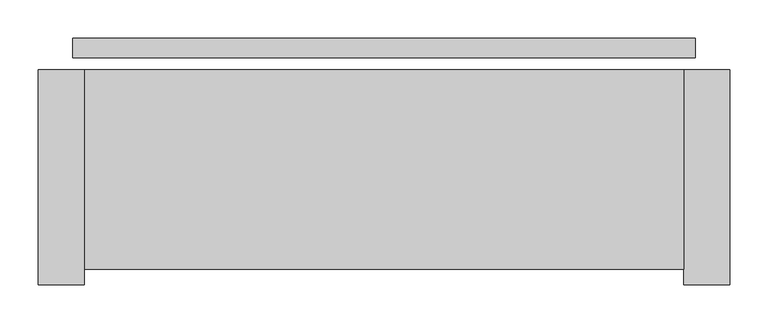
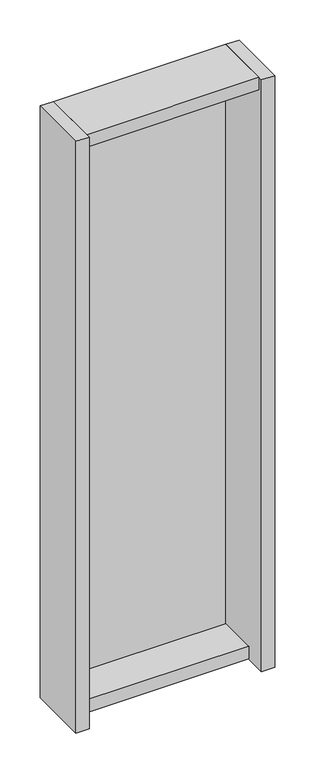
"""IFC4 building model written with IfcOpenShell, lengths in millimetres: plate geometry."""

from ifc_helpers import new_model, si_unit, frame, origin, origin_with_axes, place, context, project, spatial, polyline, outline, extrude, source, transform, mapped, element, save


def plate_e3395624(model_context):
    return source(origin(), model_context, "Body", "SweptSolid", [
        extrude(outline(polyline([(405.2195514, 0.0), (405.2195514, -25.0), (-405.2195514, -25.0), (-405.2195514, 0.0), (405.2195514, 0.0)])), origin_with_axes(), (0.0, 0.0, 1.0), 2742.0),
        extrude(outline(polyline([(-390.2195514, -41.0), (-390.2195514, -321.0), (-450.2195514, -321.0), (-450.2195514, -41.0), (-390.2195514, -41.0)])), frame((0.0, 0.0, -45.0), z_axis=(0.0, 0.0, 1.0), x_axis=(1.0, 0.0, 0.0)), (0.0, 0.0, 1.0), 2832.0),
        extrude(outline(polyline([(390.2195514, -221.0), (-390.2195514, -221.0), (-390.2195514, -41.0), (390.2195514, -41.0), (390.2195514, -221.0)])), frame((0.0, 0.0, -45.0), z_axis=(0.0, 0.0, 1.0), x_axis=(1.0, 0.0, 0.0)), (0.0, 0.0, 1.0), 60.0),
        extrude(outline(polyline([(390.2195514, -41.0), (390.2195514, -301.0), (-390.2195514, -301.0), (-390.2195514, -41.0), (390.2195514, -41.0)])), frame((0.0, 0.0, 2727.0), z_axis=(0.0, 0.0, 1.0), x_axis=(1.0, 0.0, 0.0)), (0.0, 0.0, 1.0), 60.0),
        extrude(outline(polyline([(450.2195514, -41.0), (450.2195514, -321.0), (390.2195514, -321.0), (390.2195514, -41.0), (450.2195514, -41.0)])), frame((0.0, 0.0, -45.0), z_axis=(0.0, 0.0, 1.0), x_axis=(1.0, 0.0, 0.0)), (0.0, 0.0, 1.0), 2832.0),
    ])


if __name__ == "__main__":
    model = new_model("IFC4")
    model_context = context("Model", 3, world=origin())
    ifc_project = project(units=[si_unit("LENGTHUNIT", "METRE", prefix="MILLI")], contexts=[model_context])
    site = spatial("IfcSite", under=ifc_project)
    building = spatial("IfcBuilding", under=site)
    placement = place(None, origin())
    plate_shape = plate_e3395624(model_context)
    element("IfcPlate", 1, at=placement, inside=building, context=model_context, shape_type="MappedRepresentation", body=[
        mapped(plate_shape, transform((0.0, 0.0, 0.0), x_axis=(1.0, 0.0, 0.0), y_axis=(0.0, 1.0, 0.0), z_axis=(0.0, 0.0, 1.0))),
    ])
    save(model, "model.ifc")
